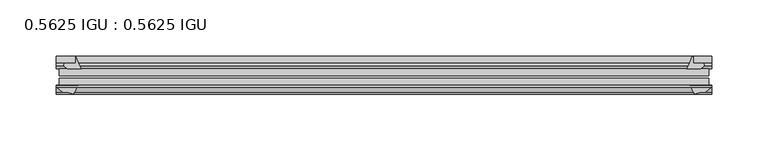
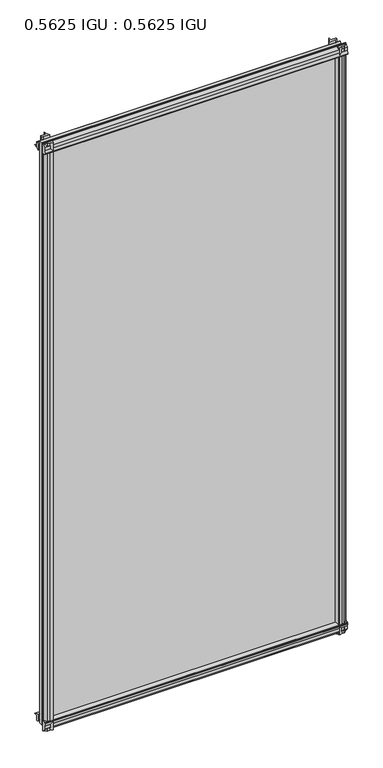
"""IFC4 building model written with IfcOpenShell, lengths in millimetres: plate geometry, 0.5625 IGU : 0.5625 IGU."""

import ifcopenshell
import ifcopenshell.guid

model = None  # the IFC model being written
_history = None  # IfcOwnerHistory: only IFC2X3 demands one
_inside = {}  # id of a spatial element -> (the spatial element, [elements in it])
_under = {}  # id of a project, library or spatial element -> (it, [spatial elements below it])
_declared = {}  # id of a project -> (the project, [libraries it declares])
_typed = {}  # id of a type object -> (the type object, [elements of that type])
_made_of = {}  # id of a material, layer set ... -> (it, [elements and type objects made of it])


def new_model(schema):
    """Start an empty IFC model of exactly this schema.

    Asked for "IFC4X3", IfcOpenShell would pick the latest addendum, in which some entities
    have other attributes; the version numbers below select the first issue.
    IFC2X3 requires an IfcOwnerHistory on every rooted entity: one is made here for all.
    """
    global model, _history
    if schema == "IFC4X3":
        model = ifcopenshell.file(schema_version=(4, 3, 0, 0))
    else:
        model = ifcopenshell.file(schema=schema)
    _inside.clear()
    _under.clear()
    _declared.clear()
    _typed.clear()
    _made_of.clear()
    _history = None
    if model.schema == "IFC2X3":
        org = make("IfcOrganization", Name="unknown")
        user = make(
            "IfcPersonAndOrganization",
            ThePerson=make("IfcPerson", FamilyName="unknown"),
            TheOrganization=org,
        )
        app = make(
            "IfcApplication",
            ApplicationDeveloper=org,
            Version="unknown",
            ApplicationFullName="unknown",
            ApplicationIdentifier="unknown",
        )
        _history = make(
            "IfcOwnerHistory",
            OwningUser=user,
            OwningApplication=app,
            ChangeAction="ADDED",
            CreationDate=0,
        )
    return model


def make(cls, **values):
    """One entity of the class cls with the attributes given. An attribute that is None is left unset."""
    return model.create_entity(
        cls, **{name: value for name, value in values.items() if value is not None}
    )


def rooted(cls, **values):
    """An entity with a GlobalId (a new one), such as an element, a storey or a relation."""
    return make(cls, GlobalId=ifcopenshell.guid.new(), OwnerHistory=_history, **values)


def si_unit(unit_type, name, prefix=None):
    """IfcSIUnit, for example si_unit("LENGTHUNIT", "METRE", prefix="MILLI")."""
    return make("IfcSIUnit", UnitType=unit_type, Prefix=prefix, Name=name)


def assignment(units):
    """IfcUnitAssignment: the units of a project."""
    return None if units is None else make("IfcUnitAssignment", Units=units)


def point(xyz):
    """IfcCartesianPoint."""
    return None if xyz is None else make("IfcCartesianPoint", Coordinates=xyz)


def direction(xyz):
    """IfcDirection."""
    return None if xyz is None else make("IfcDirection", DirectionRatios=xyz)


def frame(location, z_axis=None, x_axis=None):
    """IfcAxis2Placement3D, a coordinate frame: its origin and axes. An axis left out is left unset."""
    return make(
        "IfcAxis2Placement3D",
        Location=point(location),
        Axis=direction(z_axis),
        RefDirection=direction(x_axis),
    )


def frame_2d(location, x_axis=None):
    """IfcAxis2Placement2D, a coordinate frame in the plane: its origin and x axis."""
    return make(
        "IfcAxis2Placement2D", Location=point(location), RefDirection=direction(x_axis)
    )


def origin():
    """The frame at (0, 0, 0) with its axes left unset."""
    return frame((0.0, 0.0, 0.0))


def place(relative_to, where):
    """IfcLocalPlacement: puts the frame where relative to a parent placement (None: the world)."""
    return make(
        "IfcLocalPlacement", PlacementRelTo=relative_to, RelativePlacement=where
    )


def context(
    kind, dimensions, precision=None, world=None, true_north=None, identifier=None
):
    """IfcGeometricRepresentationContext, for example the 3D "Model" context."""
    return make(
        "IfcGeometricRepresentationContext",
        ContextIdentifier=identifier,
        ContextType=kind,
        CoordinateSpaceDimension=dimensions,
        Precision=precision,
        WorldCoordinateSystem=world,
        TrueNorth=true_north,
    )


def project(units=None, contexts=None):
    """IfcProject with its units and contexts."""
    return rooted(
        "IfcProject",
        Name="project",
        RepresentationContexts=contexts,
        UnitsInContext=assignment(units),
    )


def spatial(cls, under=None, at=None, **own):
    """A site, building, storey or space (cls), placed at a placement, below another one or the project."""
    s = rooted(cls, ObjectPlacement=at, **own)
    if under is not None:
        _under.setdefault(under.id(), (under, []))[1].append(s)
    return s


def polyline(points):
    """IfcPolyline through the points."""
    return make("IfcPolyline", Points=[point(p) for p in points])


def circle_curve(where, radius):
    """IfcCircle in the frame where."""
    return make("IfcCircle", Position=where, Radius=radius)


def trimmed(basis, trim1, trim2, sense, master):
    """IfcTrimmedCurve: the piece of a basis curve between two trims."""
    return make(
        "IfcTrimmedCurve",
        BasisCurve=basis,
        Trim1=trim1,
        Trim2=trim2,
        SenseAgreement=sense,
        MasterRepresentation=master,
    )


def segment(curve, same_sense, transition):
    """IfcCompositeCurveSegment."""
    return make(
        "IfcCompositeCurveSegment",
        Transition=transition,
        SameSense=same_sense,
        ParentCurve=curve,
    )


def composite_curve(segments, self_intersect=None):
    """IfcCompositeCurve: segments joined end to end."""
    return make("IfcCompositeCurve", Segments=segments, SelfIntersect=self_intersect)


def outline(outer, holes=None, kind="AREA"):
    """IfcArbitraryClosedProfileDef: a profile drawn as a closed curve; with holes, ...WithVoids."""
    if holes is None:
        return make("IfcArbitraryClosedProfileDef", ProfileType=kind, OuterCurve=outer)
    return make(
        "IfcArbitraryProfileDefWithVoids",
        ProfileType=kind,
        OuterCurve=outer,
        InnerCurves=holes,
    )


def extrude(swept, where, along, depth):
    """IfcExtrudedAreaSolid: the profile swept, set in the frame where, extruded along a direction by depth."""
    return make(
        "IfcExtrudedAreaSolid",
        SweptArea=swept,
        Position=where,
        ExtrudedDirection=direction(along),
        Depth=depth,
    )


def shape(context_of_items, identifier, shape_type, items):
    """IfcShapeRepresentation: the items that make up one representation, for example the "Body"."""
    return make(
        "IfcShapeRepresentation",
        ContextOfItems=context_of_items,
        RepresentationIdentifier=identifier,
        RepresentationType=shape_type,
        Items=items,
    )


def source(mapping_origin, context_of_items, identifier, shape_type, items):
    """IfcRepresentationMap: a shape defined once, which mapped items show again and again."""
    return make(
        "IfcRepresentationMap",
        MappingOrigin=mapping_origin,
        MappedRepresentation=shape(context_of_items, identifier, shape_type, items),
    )


def transform(
    local_origin,
    x_axis=None,
    y_axis=None,
    z_axis=None,
    scale=None,
    scale2=None,
    scale3=None,
    uniform=True,
):
    """IfcCartesianTransformationOperator3D, or its non-uniform kind. x_axis, y_axis, z_axis: its Axis1, 2, 3."""
    if uniform:
        return make(
            "IfcCartesianTransformationOperator3D",
            Axis1=direction(x_axis),
            Axis2=direction(y_axis),
            LocalOrigin=point(local_origin),
            Scale=scale,
            Axis3=direction(z_axis),
        )
    return make(
        "IfcCartesianTransformationOperator3DnonUniform",
        Axis1=direction(x_axis),
        Axis2=direction(y_axis),
        LocalOrigin=point(local_origin),
        Scale=scale,
        Axis3=direction(z_axis),
        Scale2=scale2,
        Scale3=scale3,
    )


def mapped(mapping_source, mapping_target):
    """IfcMappedItem: shows the shape of a source again, moved by a transform."""
    return make(
        "IfcMappedItem", MappingSource=mapping_source, MappingTarget=mapping_target
    )


def made_of(thing, what):
    """Note that an element or type object is made of a material, layer set ...; save() writes the relation."""
    if what is not None:
        _made_of.setdefault(what.id(), (what, []))[1].append(thing)
    return thing


def element(
    cls,
    number,
    at=None,
    inside=None,
    cuts=None,
    type_object=None,
    material=None,
    context=None,
    identifier="Body",
    shape_type=None,
    held_by="IfcProductDefinitionShape",
    body=None,
    shapes=None,
    **own,
):
    """One element of the class cls, such as IfcWall. Its Tag is "e" and its number.

    at: its placement. inside: the storey or other place that contains it. cuts: it is an
    opening in that element (IfcRelVoidsElement). A single representation is given by context,
    identifier, shape_type and body (its items); several are given by shapes. held_by: the class
    of the entity that holds the representations. save() writes the other relations.
    """
    e = rooted(cls, Tag="e%d" % number, ObjectPlacement=at, **own)
    if body is not None:
        shapes = [shape(context, identifier, shape_type, body)]
    if shapes is not None:
        e.Representation = make(held_by, Representations=shapes)
    if inside is not None:
        _inside.setdefault(inside.id(), (inside, []))[1].append(e)
    if cuts is not None:
        rooted(
            "IfcRelVoidsElement", RelatingBuildingElement=cuts, RelatedOpeningElement=e
        )
    if type_object is not None:
        _typed.setdefault(type_object.id(), (type_object, []))[1].append(e)
    return made_of(e, material)


def aggregate(whole, parts):
    """IfcRelAggregates: a whole, such as a stair, and the parts it consists of."""
    return rooted("IfcRelAggregates", RelatingObject=whole, RelatedObjects=parts)


def save(model, path):
    """Write the relations noted so far, then the file.

    IfcRelAggregates (storeys below a building ...), IfcRelContainedInSpatialStructure (elements
    in a storey), IfcRelDefinesByType, IfcRelAssociatesMaterial and IfcRelDeclares: one each for
    every whole, place, type object, material and project.
    """
    for whole, parts in _under.values():
        aggregate(whole, parts)
    for where, things in _inside.values():
        rooted(
            "IfcRelContainedInSpatialStructure",
            RelatedElements=things,
            RelatingStructure=where,
        )
    for kind, things in _typed.values():
        rooted("IfcRelDefinesByType", RelatedObjects=things, RelatingType=kind)
    for what, things in _made_of.values():
        rooted("IfcRelAssociatesMaterial", RelatedObjects=things, RelatingMaterial=what)
    for by, libraries in _declared.values():
        rooted("IfcRelDeclares", RelatingContext=by, RelatedDefinitions=libraries)
    model.write(path)


def plate_0_5625_igu_0_5625_igu_427ed2ac(model_context):
    return source(origin(), model_context, "Body", "SweptSolid", [
        extrude(outline(composite_curve([segment(trimmed(circle_curve(frame_2d((-37.8345654, 15.3636795)), 15.5602222), [point((-35.093275, 0.0468313))], [point((-27.955875, 3.3415337))], True, "CARTESIAN"), True, "CONTINUOUS"), segment(polyline([(-27.955875, 3.3415337), (-27.955875, -17.9974199)]), True, "CONTINUOUS"), segment(trimmed(circle_curve(frame_2d((-28.971875, -17.9974199)), 1.016), [point((-27.955875, -17.9974199))], [point((-29.7387172, -18.6639099))], False, "CARTESIAN"), True, "CONTINUOUS"), segment(polyline([(-29.7387172, -18.6639099), (-34.305875, -13.4090837), (-34.305875, -7.4052024), (-35.880675, -1.5279687), (-34.305875, -1.5279687), (-34.305875, -0.7405687)]), True, "CONTINUOUS"), segment(trimmed(circle_curve(frame_2d((-35.093275, -0.7405687)), 0.7874), [point((-34.305875, -0.7405687))], [point((-35.093275, 0.0468313))], True, "CARTESIAN"), True, "CONTINUOUS")], self_intersect=False)), frame((-291.3122763, 0.0, 0.0), z_axis=(1.0, 0.0, 0.0), x_axis=(0.0, 1.0, 0.0)), (0.0, 0.0, 1.0), 582.6245525),
        extrude(outline(composite_curve([segment(trimmed(circle_curve(frame_2d((11.4445684, 45.0767023)), 47.0962123), [point((-13.096875, 4.8800511))], [point((-2.198896, 0.0))], True, "CARTESIAN"), True, "CONTINUOUS"), segment(polyline([(-2.198896, 0.0), (-8.321675, 0.0), (-8.321675, -9.0936065)]), True, "CONTINUOUS"), segment(trimmed(circle_curve(frame_2d((-9.9050751, -9.085239)), 1.5834222), [point((-8.321675, -9.0936065))], [point((-11.0877177, -10.1381313))], False, "CARTESIAN"), True, "CONTINUOUS"), segment(polyline([(-11.0877177, -10.1381313), (-13.096875, -7.8711888), (-13.096875, 4.8800511)]), True, "CONTINUOUS")], self_intersect=False)), frame((-291.3122763, 0.0, 0.0), z_axis=(1.0, 0.0, 0.0), x_axis=(0.0, 1.0, 0.0)), (0.0, 0.0, 1.0), 582.6245525),
        extrude(outline(composite_curve([segment(polyline([(-34.305875, 1169.1090837), (-29.7387172, 1174.3639099)]), True, "CONTINUOUS"), segment(trimmed(circle_curve(frame_2d((-28.971875, 1173.6974199)), 1.016), [point((-29.7387172, 1174.3639099))], [point((-27.955875, 1173.6974199))], False, "CARTESIAN"), True, "CONTINUOUS"), segment(polyline([(-27.955875, 1173.6974199), (-27.955875, 1152.3584663)]), True, "CONTINUOUS"), segment(trimmed(circle_curve(frame_2d((-37.8345654, 1140.3363205)), 15.5602222), [point((-27.955875, 1152.3584663))], [point((-35.093275, 1155.6531687))], True, "CARTESIAN"), True, "CONTINUOUS"), segment(trimmed(circle_curve(frame_2d((-35.093275, 1156.4405687)), 0.7874), [point((-35.093275, 1155.6531687))], [point((-34.305875, 1156.4405687))], True, "CARTESIAN"), True, "CONTINUOUS"), segment(polyline([(-34.305875, 1156.4405687), (-34.305875, 1157.2279687), (-35.880675, 1157.2279687), (-34.305875, 1163.1052024), (-34.305875, 1169.1090837)]), True, "CONTINUOUS")], self_intersect=False)), frame((-291.3122763, 0.0, 0.0), z_axis=(1.0, 0.0, 0.0), x_axis=(0.0, 1.0, 0.0)), (0.0, 0.0, 1.0), 582.6245525),
        extrude(outline(composite_curve([segment(trimmed(circle_curve(frame_2d((-9.9050751, 1164.785239)), 1.5834222), [point((-11.0877177, 1165.8381313))], [point((-8.321675, 1164.7936065))], False, "CARTESIAN"), True, "CONTINUOUS"), segment(polyline([(-8.321675, 1164.7936065), (-8.321675, 1155.7), (-2.198896, 1155.7)]), True, "CONTINUOUS"), segment(trimmed(circle_curve(frame_2d((11.4445684, 1110.6232977)), 47.0962123), [point((-2.198896, 1155.7))], [point((-13.096875, 1150.8199489))], True, "CARTESIAN"), True, "CONTINUOUS"), segment(polyline([(-13.096875, 1150.8199489), (-13.096875, 1163.5711888), (-11.0877177, 1165.8381313)]), True, "CONTINUOUS")], self_intersect=False)), frame((-291.3122763, 0.0, 0.0), z_axis=(1.0, 0.0, 0.0), x_axis=(0.0, 1.0, 0.0)), (0.0, 0.0, 1.0), 582.6245525),
        extrude(outline(composite_curve([segment(polyline([(274.6831561, -8.321675), (282.9524378, -8.321675)]), True, "CONTINUOUS"), segment(trimmed(circle_curve(frame_2d((282.9440703, -9.9050751)), 1.5834222), [point((282.9524378, -8.321675))], [point((283.9969626, -11.0877177))], False, "CARTESIAN"), True, "CONTINUOUS"), segment(polyline([(283.9969626, -11.0877177), (281.73002, -13.096875), (268.9787802, -13.096875)]), True, "CONTINUOUS"), segment(trimmed(circle_curve(frame_2d((228.7821289, 11.4445684)), 47.0962123), [point((268.9787802, -13.096875))], [point((273.812, -2.352675))], True, "CARTESIAN"), True, "CONTINUOUS"), segment(polyline([(273.812, -2.352675), (274.6831561, -2.5510821), (274.6831561, -8.321675)]), True, "CONTINUOUS")], self_intersect=False)), frame((0.0, 0.0, -19.0134199), z_axis=(0.0, 0.0, 1.0), x_axis=(1.0, 0.0, 0.0)), (0.0, 0.0, 1.0), 1193.3773298),
        extrude(outline(composite_curve([segment(trimmed(circle_curve(frame_2d((290.2962763, -28.971875)), 1.016), [point((290.2962763, -27.955875))], [point((290.9627663, -29.7387172))], False, "CARTESIAN"), True, "CONTINUOUS"), segment(polyline([(290.9627663, -29.7387172), (285.7079401, -34.305875), (281.6958336, -34.305875), (275.8186, -35.880675), (275.8186, -34.305875), (274.7282443, -34.305875)]), True, "CONTINUOUS"), segment(trimmed(circle_curve(frame_2d((263.0922917, -36.1215237)), 11.7767556), [point((274.7282443, -34.305875))], [point((271.5784071, -27.955875))], True, "CARTESIAN"), True, "CONTINUOUS"), segment(polyline([(271.5784071, -27.955875), (290.2962763, -27.955875)]), True, "CONTINUOUS")], self_intersect=False)), frame((0.0, 0.0, -19.0134199), z_axis=(0.0, 0.0, 1.0), x_axis=(1.0, 0.0, 0.0)), (0.0, 0.0, 1.0), 1193.3773298),
        extrude(outline(composite_curve([segment(trimmed(circle_curve(frame_2d((-228.7821289, 11.4445684)), 47.0962123), [point((-273.7622882, -2.5138875))], [point((-268.9787802, -13.096875))], True, "CARTESIAN"), True, "CONTINUOUS"), segment(polyline([(-268.9787802, -13.096875), (-281.73002, -13.096875), (-283.9969626, -11.0877177)]), True, "CONTINUOUS"), segment(trimmed(circle_curve(frame_2d((-282.9440703, -9.9050751)), 1.5834222), [point((-283.9969626, -11.0877177))], [point((-282.9524378, -8.321675))], False, "CARTESIAN"), True, "CONTINUOUS"), segment(polyline([(-282.9524378, -8.321675), (-273.7622882, -8.321675), (-273.7622882, -2.5138875)]), True, "CONTINUOUS")], self_intersect=False)), frame((0.0, 0.0, -19.0134199), z_axis=(0.0, 0.0, 1.0), x_axis=(1.0, 0.0, 0.0)), (0.0, 0.0, 1.0), 1193.7268398),
        extrude(outline(composite_curve([segment(trimmed(circle_curve(frame_2d((-263.0922917, -36.1215237)), 11.7767556), [point((-271.5784071, -27.955875))], [point((-274.7282443, -34.305875))], True, "CARTESIAN"), True, "CONTINUOUS"), segment(polyline([(-274.7282443, -34.305875), (-275.8186, -34.305875), (-275.8186, -35.880675), (-281.6958336, -34.305875), (-285.7079401, -34.305875), (-290.9627663, -29.7387172)]), True, "CONTINUOUS"), segment(trimmed(circle_curve(frame_2d((-290.2962763, -28.971875)), 1.016), [point((-290.9627663, -29.7387172))], [point((-290.2962763, -27.955875))], False, "CARTESIAN"), True, "CONTINUOUS"), segment(polyline([(-290.2962763, -27.955875), (-271.5784071, -27.955875)]), True, "CONTINUOUS")], self_intersect=False)), frame((0.0, 0.0, -19.0134199), z_axis=(0.0, 0.0, 1.0), x_axis=(1.0, 0.0, 0.0)), (0.0, 0.0, 1.0), 1193.7268398),
        extrude(outline(polyline([(-288.5313, -13.096875), (288.5313, -13.096875), (288.5313, -19.396075), (-288.5313, -19.396075), (-288.5313, -13.096875)])), frame((0.0, 0.0, -13.5929687), z_axis=(0.0, 0.0, 1.0), x_axis=(1.0, 0.0, 0.0)), (0.0, 0.0, 1.0), 1182.8859375),
        extrude(outline(polyline([(288.5313, -21.656675), (288.5313, -27.955875), (-288.5313, -27.955875), (-288.5313, -21.656675), (288.5313, -21.656675)])), frame((0.0, 0.0, -13.5929687), z_axis=(0.0, 0.0, 1.0), x_axis=(1.0, 0.0, 0.0)), (0.0, 0.0, 1.0), 1182.8859375),
    ])


if __name__ == "__main__":
    model = new_model("IFC4")
    model_context = context("Model", 3, world=origin())
    ifc_project = project(units=[si_unit("LENGTHUNIT", "METRE", prefix="MILLI")], contexts=[model_context])
    site = spatial("IfcSite", under=ifc_project)
    building = spatial("IfcBuilding", under=site)
    placement = place(None, origin())
    plate_0_5625_igu_0_5625_igu_shape = plate_0_5625_igu_0_5625_igu_427ed2ac(model_context)
    element("IfcPlate", 1, ObjectType="0.5625 IGU : 0.5625 IGU", at=placement, inside=building, context=model_context, shape_type="MappedRepresentation", body=[
        mapped(plate_0_5625_igu_0_5625_igu_shape, transform((0.0, 0.0, 0.0), x_axis=(1.0, 0.0, 0.0), y_axis=(0.0, 1.0, 0.0), z_axis=(0.0, 0.0, 1.0))),
    ])
    save(model, "model.ifc")
